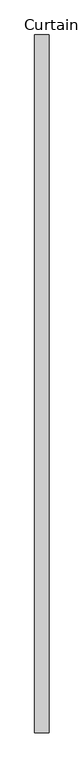
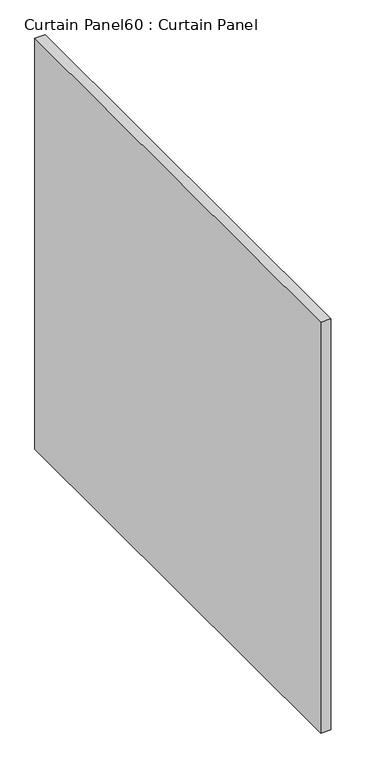
"""IFC4 building model written with IfcOpenShell, lengths in millimetres: plate geometry, Curtain Panel60 : Curtain Panel."""

import ifcopenshell
import ifcopenshell.guid

model = None  # the IFC model being written
_history = None  # IfcOwnerHistory: only IFC2X3 demands one
_inside = {}  # id of a spatial element -> (the spatial element, [elements in it])
_under = {}  # id of a project, library or spatial element -> (it, [spatial elements below it])
_declared = {}  # id of a project -> (the project, [libraries it declares])
_typed = {}  # id of a type object -> (the type object, [elements of that type])
_made_of = {}  # id of a material, layer set ... -> (it, [elements and type objects made of it])


def new_model(schema):
    """Start an empty IFC model of exactly this schema.

    Asked for "IFC4X3", IfcOpenShell would pick the latest addendum, in which some entities
    have other attributes; the version numbers below select the first issue.
    IFC2X3 requires an IfcOwnerHistory on every rooted entity: one is made here for all.
    """
    global model, _history
    if schema == "IFC4X3":
        model = ifcopenshell.file(schema_version=(4, 3, 0, 0))
    else:
        model = ifcopenshell.file(schema=schema)
    _inside.clear()
    _under.clear()
    _declared.clear()
    _typed.clear()
    _made_of.clear()
    _history = None
    if model.schema == "IFC2X3":
        org = make("IfcOrganization", Name="unknown")
        user = make(
            "IfcPersonAndOrganization",
            ThePerson=make("IfcPerson", FamilyName="unknown"),
            TheOrganization=org,
        )
        app = make(
            "IfcApplication",
            ApplicationDeveloper=org,
            Version="unknown",
            ApplicationFullName="unknown",
            ApplicationIdentifier="unknown",
        )
        _history = make(
            "IfcOwnerHistory",
            OwningUser=user,
            OwningApplication=app,
            ChangeAction="ADDED",
            CreationDate=0,
        )
    return model


def make(cls, **values):
    """One entity of the class cls with the attributes given. An attribute that is None is left unset."""
    return model.create_entity(
        cls, **{name: value for name, value in values.items() if value is not None}
    )


def rooted(cls, **values):
    """An entity with a GlobalId (a new one), such as an element, a storey or a relation."""
    return make(cls, GlobalId=ifcopenshell.guid.new(), OwnerHistory=_history, **values)


def si_unit(unit_type, name, prefix=None):
    """IfcSIUnit, for example si_unit("LENGTHUNIT", "METRE", prefix="MILLI")."""
    return make("IfcSIUnit", UnitType=unit_type, Prefix=prefix, Name=name)


def assignment(units):
    """IfcUnitAssignment: the units of a project."""
    return None if units is None else make("IfcUnitAssignment", Units=units)


def point(xyz):
    """IfcCartesianPoint."""
    return None if xyz is None else make("IfcCartesianPoint", Coordinates=xyz)


def direction(xyz):
    """IfcDirection."""
    return None if xyz is None else make("IfcDirection", DirectionRatios=xyz)


def frame(location, z_axis=None, x_axis=None):
    """IfcAxis2Placement3D, a coordinate frame: its origin and axes. An axis left out is left unset."""
    return make(
        "IfcAxis2Placement3D",
        Location=point(location),
        Axis=direction(z_axis),
        RefDirection=direction(x_axis),
    )


def origin():
    """The frame at (0, 0, 0) with its axes left unset."""
    return frame((0.0, 0.0, 0.0))


def place(relative_to, where):
    """IfcLocalPlacement: puts the frame where relative to a parent placement (None: the world)."""
    return make(
        "IfcLocalPlacement", PlacementRelTo=relative_to, RelativePlacement=where
    )


def context(
    kind, dimensions, precision=None, world=None, true_north=None, identifier=None
):
    """IfcGeometricRepresentationContext, for example the 3D "Model" context."""
    return make(
        "IfcGeometricRepresentationContext",
        ContextIdentifier=identifier,
        ContextType=kind,
        CoordinateSpaceDimension=dimensions,
        Precision=precision,
        WorldCoordinateSystem=world,
        TrueNorth=true_north,
    )


def project(units=None, contexts=None):
    """IfcProject with its units and contexts."""
    return rooted(
        "IfcProject",
        Name="project",
        RepresentationContexts=contexts,
        UnitsInContext=assignment(units),
    )


def spatial(cls, under=None, at=None, **own):
    """A site, building, storey or space (cls), placed at a placement, below another one or the project."""
    s = rooted(cls, ObjectPlacement=at, **own)
    if under is not None:
        _under.setdefault(under.id(), (under, []))[1].append(s)
    return s


def polyline(points):
    """IfcPolyline through the points."""
    return make("IfcPolyline", Points=[point(p) for p in points])


def outline(outer, holes=None, kind="AREA"):
    """IfcArbitraryClosedProfileDef: a profile drawn as a closed curve; with holes, ...WithVoids."""
    if holes is None:
        return make("IfcArbitraryClosedProfileDef", ProfileType=kind, OuterCurve=outer)
    return make(
        "IfcArbitraryProfileDefWithVoids",
        ProfileType=kind,
        OuterCurve=outer,
        InnerCurves=holes,
    )


def extrude(swept, where, along, depth):
    """IfcExtrudedAreaSolid: the profile swept, set in the frame where, extruded along a direction by depth."""
    return make(
        "IfcExtrudedAreaSolid",
        SweptArea=swept,
        Position=where,
        ExtrudedDirection=direction(along),
        Depth=depth,
    )


def shape(context_of_items, identifier, shape_type, items):
    """IfcShapeRepresentation: the items that make up one representation, for example the "Body"."""
    return make(
        "IfcShapeRepresentation",
        ContextOfItems=context_of_items,
        RepresentationIdentifier=identifier,
        RepresentationType=shape_type,
        Items=items,
    )


def source(mapping_origin, context_of_items, identifier, shape_type, items):
    """IfcRepresentationMap: a shape defined once, which mapped items show again and again."""
    return make(
        "IfcRepresentationMap",
        MappingOrigin=mapping_origin,
        MappedRepresentation=shape(context_of_items, identifier, shape_type, items),
    )


def transform(
    local_origin,
    x_axis=None,
    y_axis=None,
    z_axis=None,
    scale=None,
    scale2=None,
    scale3=None,
    uniform=True,
):
    """IfcCartesianTransformationOperator3D, or its non-uniform kind. x_axis, y_axis, z_axis: its Axis1, 2, 3."""
    if uniform:
        return make(
            "IfcCartesianTransformationOperator3D",
            Axis1=direction(x_axis),
            Axis2=direction(y_axis),
            LocalOrigin=point(local_origin),
            Scale=scale,
            Axis3=direction(z_axis),
        )
    return make(
        "IfcCartesianTransformationOperator3DnonUniform",
        Axis1=direction(x_axis),
        Axis2=direction(y_axis),
        LocalOrigin=point(local_origin),
        Scale=scale,
        Axis3=direction(z_axis),
        Scale2=scale2,
        Scale3=scale3,
    )


def mapped(mapping_source, mapping_target):
    """IfcMappedItem: shows the shape of a source again, moved by a transform."""
    return make(
        "IfcMappedItem", MappingSource=mapping_source, MappingTarget=mapping_target
    )


def made_of(thing, what):
    """Note that an element or type object is made of a material, layer set ...; save() writes the relation."""
    if what is not None:
        _made_of.setdefault(what.id(), (what, []))[1].append(thing)
    return thing


def element(
    cls,
    number,
    at=None,
    inside=None,
    cuts=None,
    type_object=None,
    material=None,
    context=None,
    identifier="Body",
    shape_type=None,
    held_by="IfcProductDefinitionShape",
    body=None,
    shapes=None,
    **own,
):
    """One element of the class cls, such as IfcWall. Its Tag is "e" and its number.

    at: its placement. inside: the storey or other place that contains it. cuts: it is an
    opening in that element (IfcRelVoidsElement). A single representation is given by context,
    identifier, shape_type and body (its items); several are given by shapes. held_by: the class
    of the entity that holds the representations. save() writes the other relations.
    """
    e = rooted(cls, Tag="e%d" % number, ObjectPlacement=at, **own)
    if body is not None:
        shapes = [shape(context, identifier, shape_type, body)]
    if shapes is not None:
        e.Representation = make(held_by, Representations=shapes)
    if inside is not None:
        _inside.setdefault(inside.id(), (inside, []))[1].append(e)
    if cuts is not None:
        rooted(
            "IfcRelVoidsElement", RelatingBuildingElement=cuts, RelatedOpeningElement=e
        )
    if type_object is not None:
        _typed.setdefault(type_object.id(), (type_object, []))[1].append(e)
    return made_of(e, material)


def aggregate(whole, parts):
    """IfcRelAggregates: a whole, such as a stair, and the parts it consists of."""
    return rooted("IfcRelAggregates", RelatingObject=whole, RelatedObjects=parts)


def save(model, path):
    """Write the relations noted so far, then the file.

    IfcRelAggregates (storeys below a building ...), IfcRelContainedInSpatialStructure (elements
    in a storey), IfcRelDefinesByType, IfcRelAssociatesMaterial and IfcRelDeclares: one each for
    every whole, place, type object, material and project.
    """
    for whole, parts in _under.values():
        aggregate(whole, parts)
    for where, things in _inside.values():
        rooted(
            "IfcRelContainedInSpatialStructure",
            RelatedElements=things,
            RelatingStructure=where,
        )
    for kind, things in _typed.values():
        rooted("IfcRelDefinesByType", RelatedObjects=things, RelatingType=kind)
    for what, things in _made_of.values():
        rooted("IfcRelAssociatesMaterial", RelatedObjects=things, RelatingMaterial=what)
    for by, libraries in _declared.values():
        rooted("IfcRelDeclares", RelatingContext=by, RelatedDefinitions=libraries)
    model.write(path)


def curtain_panel60_curtain_panel_5944fcee(model_context):
    return source(origin(), model_context, "Body", "SweptSolid", [
        extrude(outline(polyline([(-411398.1205803, 4775.7609739), (-411398.1205803, 3534.0552802), (-411423.5205803, 3534.0552802), (-411423.5205803, 4775.7609739), (-411398.1205803, 4775.7609739)])), frame((0.0, 0.0, 98.425), z_axis=(0.0, 0.0, 1.0), x_axis=(1.0, 0.0, 0.0)), (0.0, 0.0, 1.0), 1089.025),
    ])


if __name__ == "__main__":
    model = new_model("IFC4")
    model_context = context("Model", 3, world=origin())
    ifc_project = project(units=[si_unit("LENGTHUNIT", "METRE", prefix="MILLI")], contexts=[model_context])
    site = spatial("IfcSite", under=ifc_project)
    building = spatial("IfcBuilding", under=site)
    placement = place(None, origin())
    curtain_panel60_curtain_panel_shape = curtain_panel60_curtain_panel_5944fcee(model_context)
    element("IfcPlate", 1, ObjectType="Curtain Panel60 : Curtain Panel", at=placement, inside=building, context=model_context, shape_type="MappedRepresentation", body=[
        mapped(curtain_panel60_curtain_panel_shape, transform((0.0, 0.0, 0.0), x_axis=(1.0, 0.0, 0.0), y_axis=(0.0, 1.0, 0.0), z_axis=(0.0, 0.0, 1.0))),
    ])
    save(model, "model.ifc")
